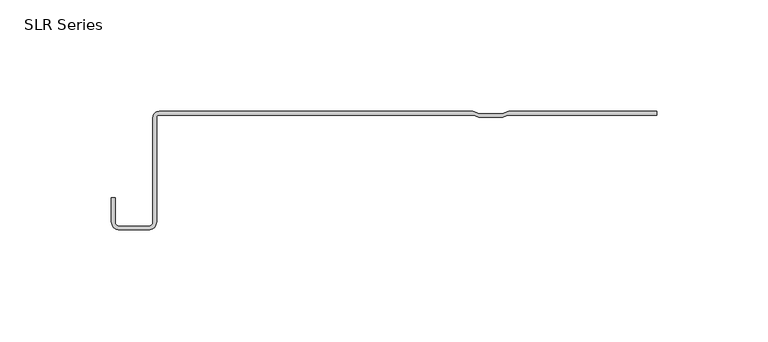
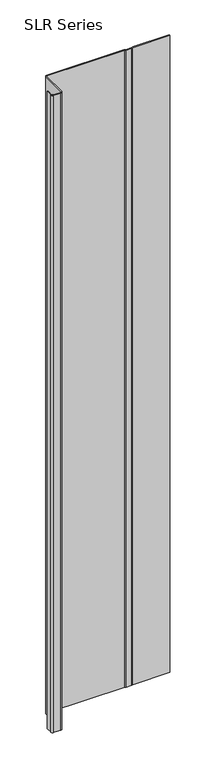
"""IFC4 building model written with IfcOpenShell, lengths in millimetres: plate geometry, SLR Series."""

from ifc_helpers import new_model, si_unit, point, frame_2d, origin, origin_with_axes, place, context, project, spatial, polyline, circle_curve, trimmed, segment, composite_curve, outline, extrude, source, transform, mapped, element, save


def slr_series_50ff5a0f(model_context):
    return source(origin(), model_context, "Body", "SweptSolid", [
        extrude(outline(composite_curve([segment(polyline([(47.2324154, -1.6177749), (44.8612233, -2.5662518), (34.1520784, -2.5662518), (31.7808863, -1.6177749), (-109.3085979, -1.6177749)]), True, "CONTINUOUS"), segment(trimmed(circle_curve(frame_2d((-109.3085979, -2.7738398)), 1.1560648), [point((-109.3085979, -1.6177749))], [point((-110.4646627, -2.7738398))], True, "CARTESIAN"), True, "CONTINUOUS"), segment(polyline([(-110.4646627, -2.7738398), (-110.4646627, -49.4817223)]), True, "CONTINUOUS"), segment(trimmed(circle_curve(frame_2d((-114.1404478, -49.4817223)), 3.6757851), [point((-110.4646627, -49.4817223))], [point((-114.1404478, -53.1575073))], False, "CARTESIAN"), True, "CONTINUOUS"), segment(polyline([(-114.1404478, -53.1575073), (-127.0253809, -53.1575073)]), True, "CONTINUOUS"), segment(trimmed(circle_curve(frame_2d((-127.0253809, -49.4817223)), 3.6757851), [point((-127.0253809, -53.1575073))], [point((-130.701166, -49.4817223))], False, "CARTESIAN"), True, "CONTINUOUS"), segment(polyline([(-130.701166, -49.4817223), (-130.701166, -38.6547993), (-129.0833911, -38.6547993), (-129.0833911, -49.4817223)]), True, "CONTINUOUS"), segment(trimmed(circle_curve(frame_2d((-127.0253809, -49.4817223)), 2.0580101), [point((-129.0833911, -49.4817223))], [point((-127.0253809, -51.5397324))], True, "CARTESIAN"), True, "CONTINUOUS"), segment(polyline([(-127.0253809, -51.5397324), (-114.1404478, -51.5397324)]), True, "CONTINUOUS"), segment(trimmed(circle_curve(frame_2d((-114.1404478, -49.4817223)), 2.0580101), [point((-114.1404478, -51.5397324))], [point((-112.0824377, -49.4817223))], True, "CARTESIAN"), True, "CONTINUOUS"), segment(polyline([(-112.0824377, -49.4817223), (-112.0824377, -2.7738398)]), True, "CONTINUOUS"), segment(trimmed(circle_curve(frame_2d((-109.3085979, -2.7738398)), 2.7738398), [point((-112.0824377, -2.7738398))], [point((-109.3085979, 0.0))], False, "CARTESIAN"), True, "CONTINUOUS"), segment(polyline([(-109.3085979, 0.0), (31.5217071, 0.0), (34.3463562, -1.1298596), (44.6669455, -1.1298596), (47.4915946, 0.0), (113.9042607, 0.0), (113.9042607, -1.6177749), (47.2324154, -1.6177749)]), True, "CONTINUOUS")], self_intersect=False)), origin_with_axes(), (0.0, 0.0, 1.0), 1228.3559792),
    ])


if __name__ == "__main__":
    model = new_model("IFC4")
    model_context = context("Model", 3, world=origin())
    ifc_project = project(units=[si_unit("LENGTHUNIT", "METRE", prefix="MILLI")], contexts=[model_context])
    site = spatial("IfcSite", under=ifc_project)
    building = spatial("IfcBuilding", under=site)
    placement = place(None, origin())
    slr_series_shape = slr_series_50ff5a0f(model_context)
    element("IfcPlate", 1, ObjectType="SLR Series", at=placement, inside=building, context=model_context, shape_type="MappedRepresentation", body=[
        mapped(slr_series_shape, transform((0.0, 0.0, 0.0), x_axis=(1.0, 0.0, 0.0), y_axis=(0.0, 1.0, 0.0), z_axis=(0.0, 0.0, 1.0))),
    ])
    save(model, "model.ifc")
